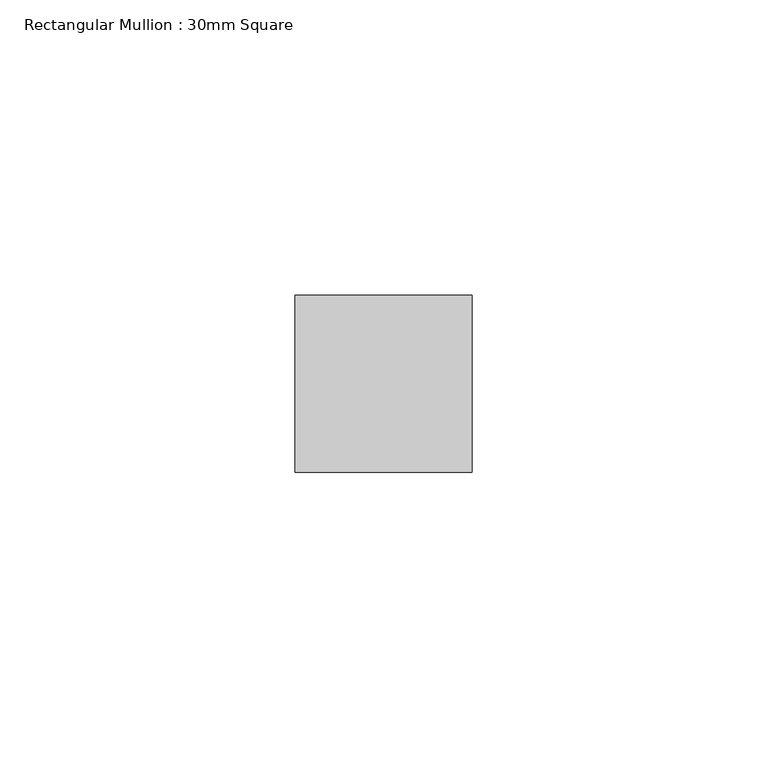
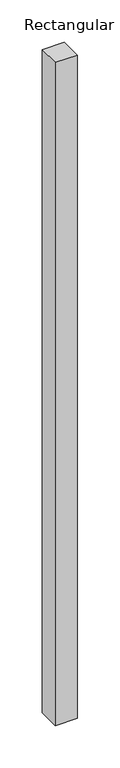
"""IFC4 building model written with IfcOpenShell, lengths in millimetres: member geometry, Rectangular Mullion : 30mm Square."""

from ifc_helpers import new_model, si_unit, frame, origin, place, context, project, spatial, polyline, outline, extrude, source, transform, mapped, element, save


def rectangular_mullion_30mm_square_91328e1c(model_context):
    return source(origin(), model_context, "Body", "SweptSolid", [
        extrude(outline(polyline([(0.0, 15.0), (0.0, -15.0), (-30.0, -15.0), (-30.0, 15.0), (0.0, 15.0)])), frame((0.0, 0.0, -954.2373173), z_axis=(0.0, 0.0, 1.0), x_axis=(1.0, 0.0, 0.0)), (0.0, 0.0, 1.0), 954.2373173),
    ])


if __name__ == "__main__":
    model = new_model("IFC4")
    model_context = context("Model", 3, world=origin())
    ifc_project = project(units=[si_unit("LENGTHUNIT", "METRE", prefix="MILLI")], contexts=[model_context])
    site = spatial("IfcSite", under=ifc_project)
    building = spatial("IfcBuilding", under=site)
    placement = place(None, origin())
    rectangular_mullion_30mm_square_shape = rectangular_mullion_30mm_square_91328e1c(model_context)
    element("IfcMember", 1, ObjectType="Rectangular Mullion : 30mm Square", at=placement, inside=building, context=model_context, shape_type="MappedRepresentation", body=[
        mapped(rectangular_mullion_30mm_square_shape, transform((0.0, 0.0, 0.0), x_axis=(1.0, 0.0, 0.0), y_axis=(0.0, 1.0, 0.0), z_axis=(0.0, 0.0, 1.0))),
    ])
    save(model, "model.ifc")
